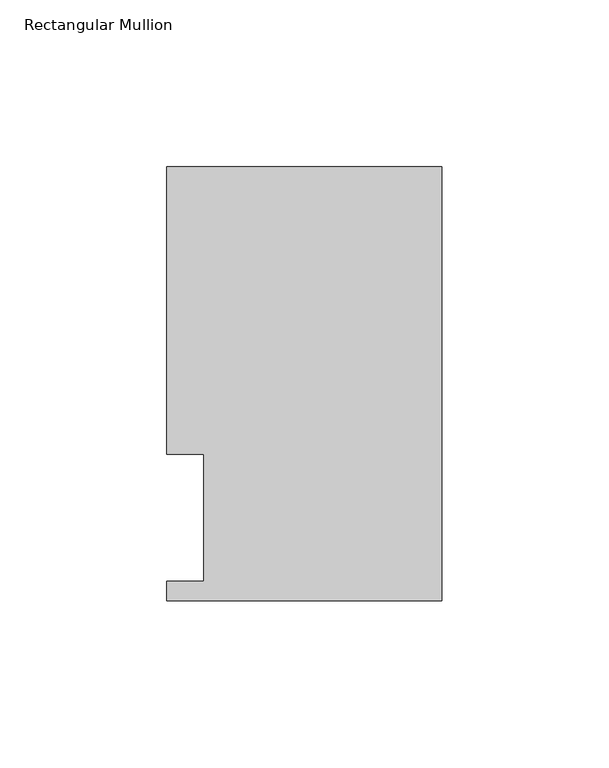
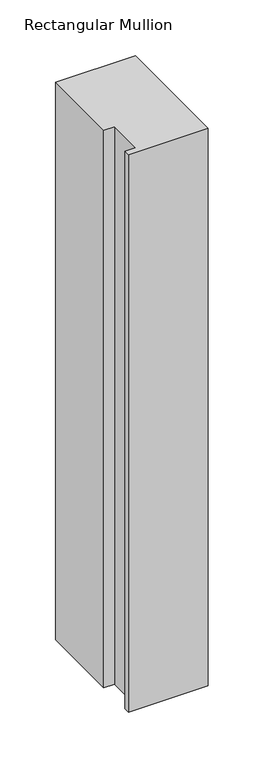
"""IFC4 building model written with IfcOpenShell, lengths in millimetres: member geometry, Rectangular Mullion."""

from ifc_helpers import new_model, si_unit, frame, origin, place, context, project, spatial, polyline, outline, extrude, source, transform, mapped, element, save


def rectangular_mullion_c4a9a7c8(model_context):
    return source(origin(), model_context, "Body", "SweptSolid", [
        extrude(outline(polyline([(-82.5504364, 130.6321003), (0.0, 130.6321003), (0.0, 0.4063003), (-82.55, 0.4063003), (-82.55, 6.3499003), (-71.4454383, 6.3499003), (-71.4454383, 44.45), (-82.5504364, 44.45), (-82.5504364, 130.6321003)])), frame((0.0, 0.0, -609.6), z_axis=(0.0, 0.0, 1.0), x_axis=(1.0, 0.0, 0.0)), (0.0, 0.0, 1.0), 609.6),
    ])


if __name__ == "__main__":
    model = new_model("IFC4")
    model_context = context("Model", 3, world=origin())
    ifc_project = project(units=[si_unit("LENGTHUNIT", "METRE", prefix="MILLI")], contexts=[model_context])
    site = spatial("IfcSite", under=ifc_project)
    building = spatial("IfcBuilding", under=site)
    placement = place(None, origin())
    rectangular_mullion_shape = rectangular_mullion_c4a9a7c8(model_context)
    element("IfcMember", 1, ObjectType="Rectangular Mullion", at=placement, inside=building, context=model_context, shape_type="MappedRepresentation", body=[
        mapped(rectangular_mullion_shape, transform((0.0, 0.0, 0.0), x_axis=(1.0, 0.0, 0.0), y_axis=(0.0, 1.0, 0.0), z_axis=(0.0, 0.0, 1.0))),
    ])
    save(model, "model.ifc")
